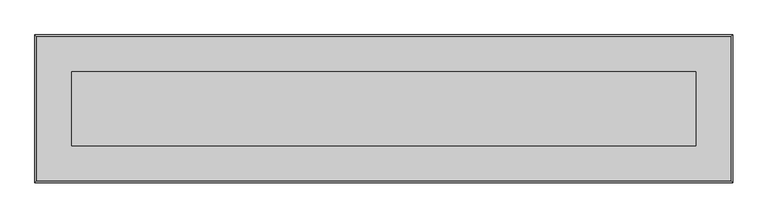
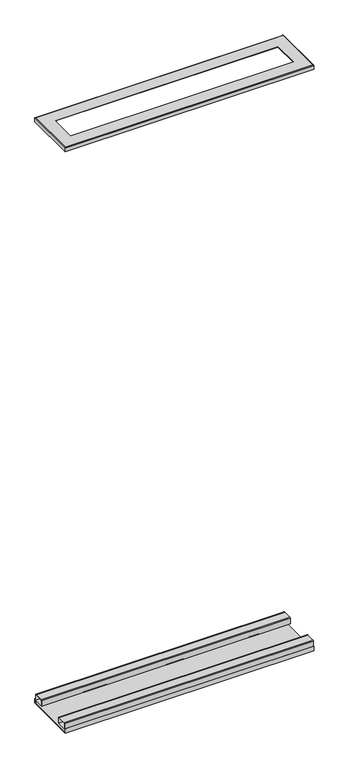
"""IFC4 building model written with IfcOpenShell, lengths in millimetres: proxy geometry."""

from ifc_helpers import new_model, si_unit, point, frame, frame_2d, origin, place, context, project, spatial, polyline, circle_curve, ellipse_curve, trimmed, segment, composite_curve, outline, extrude, source, transform, mapped, element, save
from ifc_brep_helpers import plane_surface, cylinder_surface, advanced_brep


def specialty_equipment_c96aa774(model_context):
    return source(origin(), model_context, "Body", "SolidModel", [
        advanced_brep(
        [(485.8922638, -6.1265625, 3038.475), (485.8922638, -6.1265625, 3059.1125), (1714.2616638, -6.1265625, 3059.1125), (1714.2616638, -6.1265625, 3038.475), (484.3047638, -7.7140625, 3058.0973019), (484.3047638, -7.7140625, 3038.475), (1715.8491638, -7.7140625, 3038.475), (1715.8491638, -7.7140625, 3058.0973019), (486.907462, -5.1113644, 3060.7), (1713.2464657, -5.1113644, 3060.7), (549.3922638, 57.3734375, 3059.1125), (549.3922638, 57.3734375, 3060.7), (1650.7616638, 57.3734375, 3060.7), (1650.7616638, 57.3734375, 3059.1125), (1714.2616638, 251.0484375, 3059.1125), (1714.2616638, 251.0484375, 3038.475), (1715.8491638, 252.6359375, 3038.475), (1715.8491638, 252.6359375, 3058.0973019), (1713.2464657, 250.0332394, 3060.7), (1650.7616638, 187.5484375, 3060.7), (1650.7616638, 187.5484375, 3059.1125), (485.8922638, 251.0484375, 3059.1125), (485.8922638, 251.0484375, 3038.475), (484.3047638, 252.6359375, 3038.475), (484.3047638, 252.6359375, 3058.0973019), (486.907462, 250.0332394, 3060.7), (549.3922638, 187.5484375, 3060.7), (549.3922638, 187.5484375, 3059.1125)],
        [
            (0, 1),
            (1, 2),
            (2, 3),
            (3, 0),
            (4, 5),
            (5, 6),
            (6, 7),
            (7, 4),
            (8, 4, ellipse_curve(frame((486.907462, -5.1113644, 3058.0973019), z_axis=(0.7071067811865475, -0.7071067811865475, 0.0), x_axis=(-0.7071067811865476, -0.7071067811865474, 0.0)), 3.680771, 2.6026981)),
            (7, 9, ellipse_curve(frame((1713.2464657, -5.1113644, 3058.0973019), z_axis=(-0.7071067811865475, -0.7071067811865475, 0.0), x_axis=(-0.7071067811865476, 0.7071067811865474, 0.0)), 3.680771, 2.6026981)),
            (9, 8),
            (10, 11),
            (11, 12),
            (12, 13),
            (13, 10),
            (2, 14),
            (14, 15),
            (15, 3),
            (6, 16),
            (16, 17),
            (17, 7),
            (17, 18, ellipse_curve(frame((1713.2464657, 250.0332394, 3058.0973019), z_axis=(0.7071067811865475, -0.7071067811865475, 0.0), x_axis=(-0.7071067811865474, -0.7071067811865476, 0.0)), 3.680771, 2.6026981)),
            (18, 9),
            (12, 19),
            (19, 20),
            (20, 13),
            (14, 21),
            (21, 22),
            (22, 15),
            (16, 23),
            (23, 24),
            (24, 17),
            (24, 25, ellipse_curve(frame((486.907462, 250.0332394, 3058.0973019), z_axis=(0.7071067811865475, 0.7071067811865475, 0.0), x_axis=(0.7071067811865476, -0.7071067811865474, 0.0)), 3.680771, 2.6026981)),
            (25, 18),
            (19, 26),
            (26, 27),
            (27, 20),
            (21, 1),
            (0, 22),
            (5, 23),
            (4, 24),
            (8, 25),
            (11, 26),
            (10, 27),
        ],
        [
            plane_surface(frame((485.8922638, -6.1265625, 3059.1125), z_axis=(0.0, 1.0, 0.0), x_axis=(1.0, 0.0, 0.0))),
            plane_surface(frame((484.3047638, -7.7140625, 3038.475), z_axis=(0.0, -1.0, -1.5555421274107879e-12), x_axis=(1.0, 0.0, 0.0))),
            cylinder_surface(frame((484.3047638, -5.1113644, 3058.0973019), z_axis=(-1.0, 0.0, 0.0), x_axis=(0.0, 1.0, 0.0)), 2.6026981),
            plane_surface(frame((549.3922638, 57.3734375, 3060.7), z_axis=(0.0, 1.0, 0.0), x_axis=(1.0, 0.0, 0.0))),
            plane_surface(frame((1714.2616638, -6.1265625, 3059.1125), z_axis=(-1.0, 0.0, 0.0), x_axis=(0.0, 1.0, 0.0))),
            plane_surface(frame((1715.8491638, -7.7140625, 3038.475), z_axis=(1.0, 0.0, -1.5555421274107879e-12), x_axis=(0.0, 1.0, 0.0))),
            cylinder_surface(frame((1713.2464657, -7.7140625, 3058.0973019), z_axis=(0.0, -1.0, 0.0), x_axis=(-1.0, 0.0, 0.0)), 2.6026981),
            plane_surface(frame((1650.7616638, 57.3734375, 3060.7), z_axis=(-1.0, 0.0, 0.0), x_axis=(0.0, 1.0, 0.0))),
            plane_surface(frame((1714.2616638, 251.0484375, 3059.1125), z_axis=(0.0, -1.0, 0.0), x_axis=(-1.0, 0.0, 0.0))),
            plane_surface(frame((1715.8491638, 252.6359375, 3038.475), z_axis=(0.0, 1.0, -1.5555421274107879e-12), x_axis=(-1.0, 0.0, 0.0))),
            cylinder_surface(frame((1715.8491638, 250.0332394, 3058.0973019), z_axis=(1.0, 0.0, 0.0), x_axis=(0.0, -1.0, 0.0)), 2.6026981),
            plane_surface(frame((1650.7616638, 187.5484375, 3060.7), z_axis=(0.0, -1.0, 0.0), x_axis=(-1.0, 0.0, 0.0))),
            plane_surface(frame((485.8922638, 251.0484375, 3059.1125), z_axis=(1.0, 0.0, 0.0), x_axis=(0.0, -1.0, 0.0))),
            plane_surface(frame((485.8922638, 251.0484375, 3038.475), z_axis=(0.0, 0.0, -1.0), x_axis=(0.0, -1.0, 0.0))),
            plane_surface(frame((484.3047638, 252.6359375, 3038.475), z_axis=(-1.0, 0.0, -1.5555421274107879e-12), x_axis=(0.0, -1.0, 0.0))),
            cylinder_surface(frame((486.907462, 252.6359375, 3058.0973019), z_axis=(0.0, 1.0, 0.0), x_axis=(1.0, 0.0, 0.0)), 2.6026981),
            plane_surface(frame((486.907462, 250.0332394, 3060.7), z_axis=(0.0, 0.0, 1.0), x_axis=(0.0, -1.0, 0.0))),
            plane_surface(frame((549.3922638, 187.5484375, 3060.7), z_axis=(1.0, 0.0, 0.0), x_axis=(0.0, -1.0, 0.0))),
            plane_surface(frame((549.3922638, 187.5484375, 3059.1125), z_axis=(0.0, 0.0, -1.0), x_axis=(0.0, -1.0, 0.0))),
        ],
        [
            (0, [[1, 2, 3, 4]]),
            (1, [[5, 6, 7, 8]]),
            (2, [[9, -8, 10, 11]]),
            (3, [[12, 13, 14, 15]]),
            (4, [[-3, 16, 17, 18]]),
            (5, [[-7, 19, 20, 21]]),
            (6, [[-10, -21, 22, 23]]),
            (7, [[-14, 24, 25, 26]]),
            (8, [[-17, 27, 28, 29]]),
            (9, [[-20, 30, 31, 32]]),
            (10, [[-22, -32, 33, 34]]),
            (11, [[-25, 35, 36, 37]]),
            (12, [[-28, 38, -1, 39]]),
            (13, [[40, -30, -19, -6], [-18, -29, -39, -4]]),
            (14, [[-31, -40, -5, 41]]),
            (15, [[-33, -41, -9, 42]]),
            (16, [[-23, -34, -42, -11], [43, -35, -24, -13]]),
            (17, [[-36, -43, -12, 44]]),
            (18, [[-38, -27, -16, -2], [-26, -37, -44, -15]]),
        ],
    ),
        extrude(outline(composite_curve([segment(trimmed(circle_curve(frame_2d((243.1988458, 45.6174083)), 3.7855917), [point((243.1988458, 49.403))], [point((246.9844375, 45.6174083))], False, "CARTESIAN"), True, "CONTINUOUS"), segment(polyline([(246.9844375, 45.6174083), (246.9844375, 17.653), (196.1844375, 17.653), (196.1844375, 46.022634)]), True, "CONTINUOUS"), segment(trimmed(circle_curve(frame_2d((199.5648035, 46.022634)), 3.380366), [point((196.1844375, 46.022634))], [point((199.5648035, 49.403))], False, "CARTESIAN"), True, "CONTINUOUS"), segment(polyline([(199.5648035, 49.403), (243.1988458, 49.403)]), True, "CONTINUOUS")], self_intersect=False), holes=[polyline([(245.3334375, 47.752), (197.8354375, 47.752), (197.8354375, 19.304), (245.3334375, 19.304), (245.3334375, 47.752)])]), frame((484.3047638, 0.0, 0.0), z_axis=(1.0, 0.0, 0.0), x_axis=(0.0, 1.0, 0.0)), (0.0, 0.0, 1.0), 1231.5444),
        extrude(outline(composite_curve([segment(polyline([(48.7628375, 17.653), (-2.0371625, 17.653), (-2.0371625, 45.8195032)]), True, "CONTINUOUS"), segment(trimmed(circle_curve(frame_2d((1.5463343, 45.8195032)), 3.5834968), [point((-2.0371625, 45.8195032))], [point((1.5463343, 49.403))], False, "CARTESIAN"), True, "CONTINUOUS"), segment(polyline([(1.5463343, 49.403), (45.1597302, 49.403)]), True, "CONTINUOUS"), segment(trimmed(circle_curve(frame_2d((45.1597302, 45.7998927)), 3.6031073), [point((45.1597302, 49.403))], [point((48.7628375, 45.7998927))], False, "CARTESIAN"), True, "CONTINUOUS"), segment(polyline([(48.7628375, 45.7998927), (48.7628375, 17.653)]), True, "CONTINUOUS")], self_intersect=False), holes=[polyline([(47.1118375, 19.304), (47.1118375, 47.752), (-0.3861625, 47.752), (-0.3861625, 19.304), (47.1118375, 19.304)])]), frame((484.3047638, 0.0, 0.0), z_axis=(1.0, 0.0, 0.0), x_axis=(0.0, 1.0, 0.0)), (0.0, 0.0, 1.0), 1231.5444),
        extrude(outline(polyline([(251.0484375, 22.1115), (252.6359375, 22.1115), (252.6359375, 0.0), (-7.7140625, 0.0), (-7.7140625, 22.1115), (-6.1011625, 22.1115), (-6.1011625, 1.5875), (251.0484375, 1.5875), (251.0484375, 22.1115)])), frame((484.3047638, 0.0, 0.0), z_axis=(1.0, 0.0, 0.0), x_axis=(0.0, 1.0, 0.0)), (0.0, 0.0, 1.0), 1231.5444),
    ])


if __name__ == "__main__":
    model = new_model("IFC4")
    model_context = context("Model", 3, world=origin())
    ifc_project = project(units=[si_unit("LENGTHUNIT", "METRE", prefix="MILLI")], contexts=[model_context])
    site = spatial("IfcSite", under=ifc_project)
    building = spatial("IfcBuilding", under=site)
    placement = place(None, origin())
    specialty_equipment_shape = specialty_equipment_c96aa774(model_context)
    element("IfcBuildingElementProxy", 1, Name="Specialty Equipment", at=placement, inside=building, context=model_context, shape_type="MappedRepresentation", body=[
        mapped(specialty_equipment_shape, transform((0.0, 0.0, 0.0), x_axis=(1.0, 0.0, 0.0), y_axis=(0.0, 1.0, 0.0), z_axis=(0.0, 0.0, 1.0))),
    ])
    save(model, "model.ifc")
